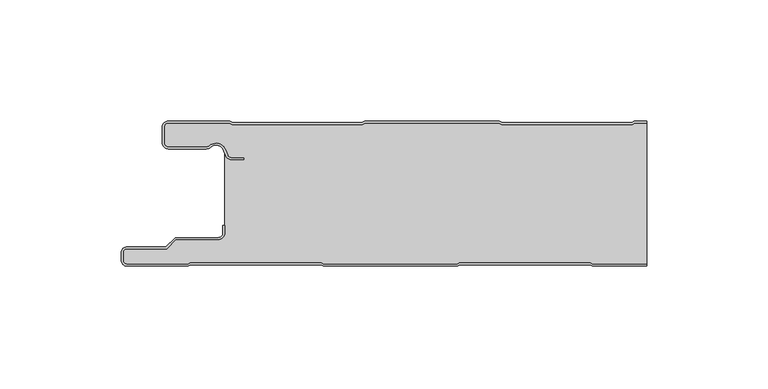
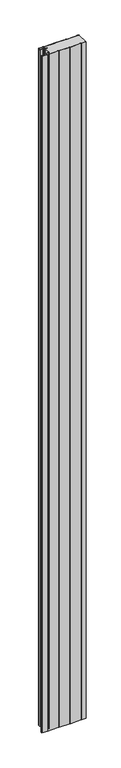
"""IFC4 building model written with IfcOpenShell, lengths in millimetres: plate geometry."""

from ifc_helpers import new_model, si_unit, point, frame_2d, origin, origin_with_axes, place, context, project, spatial, polyline, circle_curve, trimmed, segment, composite_curve, outline, extrude, source, transform, mapped, element, save


def plate_24a98d5f(model_context):
    return source(origin(), model_context, "Body", "SweptSolid", [
        extrude(outline(composite_curve([segment(polyline([(-117.0, -57.5), (-117.0, -54.5)]), True, "CONTINUOUS"), segment(trimmed(circle_curve(frame_2d((-114.5, -54.5)), 2.5), [point((-117.0, -54.5))], [point((-114.5, -52.0))], False, "CARTESIAN"), True, "CONTINUOUS"), segment(polyline([(-114.5, -52.0), (-98.5, -52.0), (-94.75, -48.25), (-77.0, -48.25)]), True, "CONTINUOUS"), segment(trimmed(circle_curve(frame_2d((-77.0, -46.25)), 2.0), [point((-77.0, -48.25))], [point((-75.0, -46.25))], True, "CARTESIAN"), True, "CONTINUOUS"), segment(polyline([(-75.0, -46.25), (-75.0, -43.25), (-74.2, -43.25), (-74.2, -46.25)]), True, "CONTINUOUS"), segment(trimmed(circle_curve(frame_2d((-77.0, -46.25)), 2.8), [point((-74.2, -46.25))], [point((-77.0, -49.05))], False, "CARTESIAN"), True, "CONTINUOUS"), segment(polyline([(-77.0, -49.05), (-94.4186292, -49.05), (-98.1686292, -52.8), (-114.5, -52.8)]), True, "CONTINUOUS"), segment(trimmed(circle_curve(frame_2d((-114.5, -54.5)), 1.7), [point((-114.5, -52.8))], [point((-116.2, -54.5))], True, "CARTESIAN"), True, "CONTINUOUS"), segment(polyline([(-116.2, -54.5), (-116.2, -57.5)]), True, "CONTINUOUS"), segment(trimmed(circle_curve(frame_2d((-114.5, -57.5)), 1.7), [point((-116.2, -57.5))], [point((-114.5, -59.2))], True, "CARTESIAN"), True, "CONTINUOUS"), segment(polyline([(-114.5, -59.2), (-89.4444842, -59.2), (-88.4469842, -58.6), (-34.4430158, -58.6), (-33.4455158, -59.2), (21.6655158, -59.2), (22.6630158, -58.6), (76.6669842, -58.6), (77.6644842, -59.2), (100.0, -59.2), (100.0, -60.0), (77.4424211, -60.0), (76.4449211, -59.4), (22.8850789, -59.4), (21.8875789, -60.0), (-33.6675789, -60.0), (-34.6650789, -59.4), (-88.2249211, -59.4), (-89.2224211, -60.0), (-114.5, -60.0)]), True, "CONTINUOUS"), segment(trimmed(circle_curve(frame_2d((-114.5, -57.5)), 2.5), [point((-114.5, -60.0))], [point((-117.0, -57.5))], False, "CARTESIAN"), True, "CONTINUOUS")], self_intersect=False)), origin_with_axes(), (0.0, 0.0, 1.0), 3500.0),
        extrude(outline(composite_curve([segment(trimmed(circle_curve(frame_2d((-97.49499, -9.0180361)), 2.50501), [point((-97.49499, -11.5230461))], [point((-100.0, -9.0180361))], False, "CARTESIAN"), True, "CONTINUOUS"), segment(polyline([(-100.0, -9.0180361), (-100.0, -2.50501)]), True, "CONTINUOUS"), segment(trimmed(circle_curve(frame_2d((-97.49499, -2.50501)), 2.50501), [point((-100.0, -2.50501))], [point((-97.49499, 0.0))], False, "CARTESIAN"), True, "CONTINUOUS"), segment(polyline([(-97.49499, 0.0), (-72.2103007, 0.0), (-71.028188, -0.6012024), (-17.6391467, -0.6012024), (-16.457034, 0.0), (39.1223647, 0.0), (40.3044773, -0.6012024), (93.6935186, -0.6012024), (94.8756313, 0.0), (100.0, 0.0), (100.0, -0.8), (95.0673777, -0.8), (93.885265, -1.4012024), (40.112731, -1.4012024), (38.9306183, -0.8), (-16.2652876, -0.8), (-17.4474003, -1.4012024), (-71.2199344, -1.4012024), (-72.4020471, -0.8), (-97.49499, -0.8)]), True, "CONTINUOUS"), segment(trimmed(circle_curve(frame_2d((-97.49499, -2.50501)), 1.70501), [point((-97.49499, -0.8))], [point((-99.2, -2.50501))], True, "CARTESIAN"), True, "CONTINUOUS"), segment(polyline([(-99.2, -2.50501), (-99.2, -9.0180361)]), True, "CONTINUOUS"), segment(trimmed(circle_curve(frame_2d((-97.49499, -9.0180361)), 1.70501), [point((-99.2, -9.0180361))], [point((-97.49499, -10.7230461))], True, "CARTESIAN"), True, "CONTINUOUS"), segment(polyline([(-97.49499, -10.7230461), (-81.8173283, -10.7230461)]), True, "CONTINUOUS"), segment(trimmed(circle_curve(frame_2d((-81.8173283, -9.0180361)), 1.70501), [point((-81.8173283, -10.7230461))], [point((-80.6895701, -10.2967936))], True, "CARTESIAN"), True, "CONTINUOUS"), segment(trimmed(circle_curve(frame_2d((-77.8407481, -13.5270541)), 4.307014), [point((-80.6895701, -10.2967936))], [point((-73.7934788, -12.0539686))], False, "CARTESIAN"), True, "CONTINUOUS"), segment(polyline([(-73.7934788, -12.0539686), (-73.0450711, -14.1102019)]), True, "CONTINUOUS"), segment(trimmed(circle_curve(frame_2d((-71.4428858, -13.5270541)), 1.70501), [point((-73.0450711, -14.1102019))], [point((-71.4428858, -15.2320641))], True, "CARTESIAN"), True, "CONTINUOUS"), segment(polyline([(-71.4428858, -15.2320641), (-66.4328657, -15.2320641), (-66.4328657, -16.0320641), (-71.4428858, -16.0320641)]), True, "CONTINUOUS"), segment(trimmed(circle_curve(frame_2d((-71.4428858, -13.5270541)), 2.50501), [point((-71.4428858, -16.0320641))], [point((-73.7968252, -14.383818))], False, "CARTESIAN"), True, "CONTINUOUS"), segment(polyline([(-73.7968252, -14.383818), (-74.5452329, -12.3275847)]), True, "CONTINUOUS"), segment(trimmed(circle_curve(frame_2d((-77.8407481, -13.5270541)), 3.507014), [point((-74.5452329, -12.3275847))], [point((-80.1604199, -10.8967936))], True, "CARTESIAN"), True, "CONTINUOUS"), segment(trimmed(circle_curve(frame_2d((-81.8173283, -9.0180361)), 2.50501), [point((-80.1604199, -10.8967936))], [point((-81.8173283, -11.5230461))], False, "CARTESIAN"), True, "CONTINUOUS"), segment(polyline([(-81.8173283, -11.5230461), (-97.49499, -11.5230461)]), True, "CONTINUOUS")], self_intersect=False)), origin_with_axes(), (0.0, 0.0, 1.0), 3500.0),
        extrude(outline(composite_curve([segment(polyline([(77.6644842, -59.2), (76.6669842, -58.6), (22.6630158, -58.6), (21.6655158, -59.2), (-33.4455158, -59.2), (-34.4430158, -58.6), (-88.4469842, -58.6), (-89.4444842, -59.2), (-114.5, -59.2)]), True, "CONTINUOUS"), segment(trimmed(circle_curve(frame_2d((-114.5, -57.5)), 1.7), [point((-114.5, -59.2))], [point((-116.2, -57.5))], False, "CARTESIAN"), True, "CONTINUOUS"), segment(polyline([(-116.2, -57.5), (-116.2, -54.5)]), True, "CONTINUOUS"), segment(trimmed(circle_curve(frame_2d((-114.5, -54.5)), 1.7), [point((-116.2, -54.5))], [point((-114.5, -52.8))], False, "CARTESIAN"), True, "CONTINUOUS"), segment(polyline([(-114.5, -52.8), (-98.1686292, -52.8), (-94.4186292, -49.05), (-77.0, -49.05)]), True, "CONTINUOUS"), segment(trimmed(circle_curve(frame_2d((-77.0, -46.25)), 2.8), [point((-77.0, -49.05))], [point((-74.2, -46.25))], True, "CARTESIAN"), True, "CONTINUOUS"), segment(polyline([(-74.2, -46.25), (-74.2, -11.2258973)]), True, "CONTINUOUS"), segment(trimmed(circle_curve(frame_2d((-77.8407481, -13.5270541)), 4.307014), [point((-74.2, -11.2258973))], [point((-80.6895701, -10.2967936))], True, "CARTESIAN"), True, "CONTINUOUS"), segment(trimmed(circle_curve(frame_2d((-81.8173283, -9.0180361)), 1.70501), [point((-80.6895701, -10.2967936))], [point((-81.8173283, -10.7230461))], False, "CARTESIAN"), True, "CONTINUOUS"), segment(polyline([(-81.8173283, -10.7230461), (-97.49499, -10.7230461)]), True, "CONTINUOUS"), segment(trimmed(circle_curve(frame_2d((-97.49499, -9.0180361)), 1.70501), [point((-97.49499, -10.7230461))], [point((-99.2, -9.0180361))], False, "CARTESIAN"), True, "CONTINUOUS"), segment(polyline([(-99.2, -9.0180361), (-99.2, -2.50501)]), True, "CONTINUOUS"), segment(trimmed(circle_curve(frame_2d((-97.49499, -2.50501)), 1.70501), [point((-99.2, -2.50501))], [point((-97.49499, -0.8))], False, "CARTESIAN"), True, "CONTINUOUS"), segment(polyline([(-97.49499, -0.8), (-72.4020471, -0.8), (-71.2199344, -1.4012024), (-17.4474003, -1.4012024), (-16.2652876, -0.8), (38.9306183, -0.8), (40.112731, -1.4012024), (93.885265, -1.4012024), (95.0673777, -0.8), (100.0, -0.8), (100.0, -59.2), (77.6644842, -59.2)]), True, "CONTINUOUS")], self_intersect=False)), origin_with_axes(), (0.0, 0.0, 1.0), 3500.0),
    ])


if __name__ == "__main__":
    model = new_model("IFC4")
    model_context = context("Model", 3, world=origin())
    ifc_project = project(units=[si_unit("LENGTHUNIT", "METRE", prefix="MILLI")], contexts=[model_context])
    site = spatial("IfcSite", under=ifc_project)
    building = spatial("IfcBuilding", under=site)
    placement = place(None, origin())
    plate_shape = plate_24a98d5f(model_context)
    element("IfcPlate", 1, at=placement, inside=building, context=model_context, shape_type="MappedRepresentation", body=[
        mapped(plate_shape, transform((0.0, 0.0, 0.0), x_axis=(1.0, 0.0, 0.0), y_axis=(0.0, 1.0, 0.0), z_axis=(0.0, 0.0, 1.0))),
    ])
    save(model, "model.ifc")
